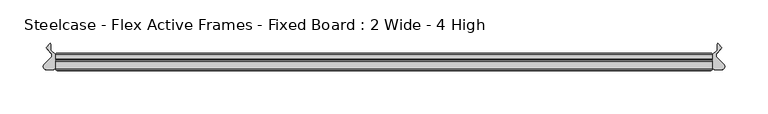
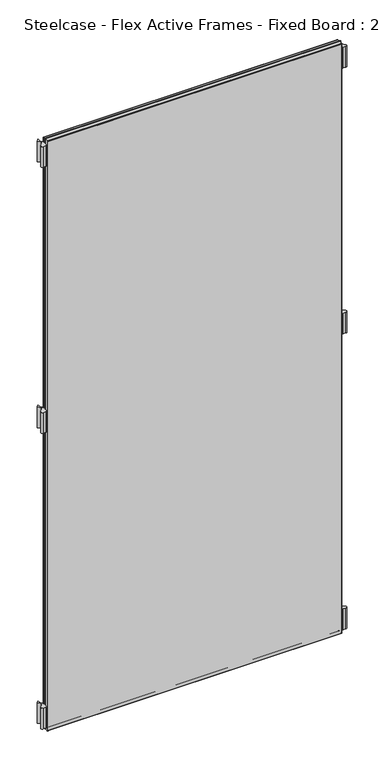
"""IFC4 building model written with IfcOpenShell, lengths in millimetres: furniture geometry, Steelcase - Flex Active Frames - Fixed Board : 2 Wide - 4 High."""

import ifcopenshell
import ifcopenshell.guid

model = None  # the IFC model being written
_history = None  # IfcOwnerHistory: only IFC2X3 demands one
_inside = {}  # id of a spatial element -> (the spatial element, [elements in it])
_under = {}  # id of a project, library or spatial element -> (it, [spatial elements below it])
_declared = {}  # id of a project -> (the project, [libraries it declares])
_typed = {}  # id of a type object -> (the type object, [elements of that type])
_made_of = {}  # id of a material, layer set ... -> (it, [elements and type objects made of it])


def new_model(schema):
    """Start an empty IFC model of exactly this schema.

    Asked for "IFC4X3", IfcOpenShell would pick the latest addendum, in which some entities
    have other attributes; the version numbers below select the first issue.
    IFC2X3 requires an IfcOwnerHistory on every rooted entity: one is made here for all.
    """
    global model, _history
    if schema == "IFC4X3":
        model = ifcopenshell.file(schema_version=(4, 3, 0, 0))
    else:
        model = ifcopenshell.file(schema=schema)
    _inside.clear()
    _under.clear()
    _declared.clear()
    _typed.clear()
    _made_of.clear()
    _history = None
    if model.schema == "IFC2X3":
        org = make("IfcOrganization", Name="unknown")
        user = make(
            "IfcPersonAndOrganization",
            ThePerson=make("IfcPerson", FamilyName="unknown"),
            TheOrganization=org,
        )
        app = make(
            "IfcApplication",
            ApplicationDeveloper=org,
            Version="unknown",
            ApplicationFullName="unknown",
            ApplicationIdentifier="unknown",
        )
        _history = make(
            "IfcOwnerHistory",
            OwningUser=user,
            OwningApplication=app,
            ChangeAction="ADDED",
            CreationDate=0,
        )
    return model


def make(cls, **values):
    """One entity of the class cls with the attributes given. An attribute that is None is left unset."""
    return model.create_entity(
        cls, **{name: value for name, value in values.items() if value is not None}
    )


def rooted(cls, **values):
    """An entity with a GlobalId (a new one), such as an element, a storey or a relation."""
    return make(cls, GlobalId=ifcopenshell.guid.new(), OwnerHistory=_history, **values)


def si_unit(unit_type, name, prefix=None):
    """IfcSIUnit, for example si_unit("LENGTHUNIT", "METRE", prefix="MILLI")."""
    return make("IfcSIUnit", UnitType=unit_type, Prefix=prefix, Name=name)


def assignment(units):
    """IfcUnitAssignment: the units of a project."""
    return None if units is None else make("IfcUnitAssignment", Units=units)


def point(xyz):
    """IfcCartesianPoint."""
    return None if xyz is None else make("IfcCartesianPoint", Coordinates=xyz)


def direction(xyz):
    """IfcDirection."""
    return None if xyz is None else make("IfcDirection", DirectionRatios=xyz)


def frame(location, z_axis=None, x_axis=None):
    """IfcAxis2Placement3D, a coordinate frame: its origin and axes. An axis left out is left unset."""
    return make(
        "IfcAxis2Placement3D",
        Location=point(location),
        Axis=direction(z_axis),
        RefDirection=direction(x_axis),
    )


def frame_2d(location, x_axis=None):
    """IfcAxis2Placement2D, a coordinate frame in the plane: its origin and x axis."""
    return make(
        "IfcAxis2Placement2D", Location=point(location), RefDirection=direction(x_axis)
    )


def origin():
    """The frame at (0, 0, 0) with its axes left unset."""
    return frame((0.0, 0.0, 0.0))


def place(relative_to, where):
    """IfcLocalPlacement: puts the frame where relative to a parent placement (None: the world)."""
    return make(
        "IfcLocalPlacement", PlacementRelTo=relative_to, RelativePlacement=where
    )


def context(
    kind, dimensions, precision=None, world=None, true_north=None, identifier=None
):
    """IfcGeometricRepresentationContext, for example the 3D "Model" context."""
    return make(
        "IfcGeometricRepresentationContext",
        ContextIdentifier=identifier,
        ContextType=kind,
        CoordinateSpaceDimension=dimensions,
        Precision=precision,
        WorldCoordinateSystem=world,
        TrueNorth=true_north,
    )


def project(units=None, contexts=None):
    """IfcProject with its units and contexts."""
    return rooted(
        "IfcProject",
        Name="project",
        RepresentationContexts=contexts,
        UnitsInContext=assignment(units),
    )


def spatial(cls, under=None, at=None, **own):
    """A site, building, storey or space (cls), placed at a placement, below another one or the project."""
    s = rooted(cls, ObjectPlacement=at, **own)
    if under is not None:
        _under.setdefault(under.id(), (under, []))[1].append(s)
    return s


def polyline(points):
    """IfcPolyline through the points."""
    return make("IfcPolyline", Points=[point(p) for p in points])


def circle_curve(where, radius):
    """IfcCircle in the frame where."""
    return make("IfcCircle", Position=where, Radius=radius)


def ellipse_curve(where, semi_axis1, semi_axis2):
    """IfcEllipse in the frame where."""
    return make(
        "IfcEllipse", Position=where, SemiAxis1=semi_axis1, SemiAxis2=semi_axis2
    )


def trimmed(basis, trim1, trim2, sense, master):
    """IfcTrimmedCurve: the piece of a basis curve between two trims."""
    return make(
        "IfcTrimmedCurve",
        BasisCurve=basis,
        Trim1=trim1,
        Trim2=trim2,
        SenseAgreement=sense,
        MasterRepresentation=master,
    )


def segment(curve, same_sense, transition):
    """IfcCompositeCurveSegment."""
    return make(
        "IfcCompositeCurveSegment",
        Transition=transition,
        SameSense=same_sense,
        ParentCurve=curve,
    )


def composite_curve(segments, self_intersect=None):
    """IfcCompositeCurve: segments joined end to end."""
    return make("IfcCompositeCurve", Segments=segments, SelfIntersect=self_intersect)


def outline(outer, holes=None, kind="AREA"):
    """IfcArbitraryClosedProfileDef: a profile drawn as a closed curve; with holes, ...WithVoids."""
    if holes is None:
        return make("IfcArbitraryClosedProfileDef", ProfileType=kind, OuterCurve=outer)
    return make(
        "IfcArbitraryProfileDefWithVoids",
        ProfileType=kind,
        OuterCurve=outer,
        InnerCurves=holes,
    )


def extrude(swept, where, along, depth):
    """IfcExtrudedAreaSolid: the profile swept, set in the frame where, extruded along a direction by depth."""
    return make(
        "IfcExtrudedAreaSolid",
        SweptArea=swept,
        Position=where,
        ExtrudedDirection=direction(along),
        Depth=depth,
    )


def shape(context_of_items, identifier, shape_type, items):
    """IfcShapeRepresentation: the items that make up one representation, for example the "Body"."""
    return make(
        "IfcShapeRepresentation",
        ContextOfItems=context_of_items,
        RepresentationIdentifier=identifier,
        RepresentationType=shape_type,
        Items=items,
    )


def source(mapping_origin, context_of_items, identifier, shape_type, items):
    """IfcRepresentationMap: a shape defined once, which mapped items show again and again."""
    return make(
        "IfcRepresentationMap",
        MappingOrigin=mapping_origin,
        MappedRepresentation=shape(context_of_items, identifier, shape_type, items),
    )


def transform(
    local_origin,
    x_axis=None,
    y_axis=None,
    z_axis=None,
    scale=None,
    scale2=None,
    scale3=None,
    uniform=True,
):
    """IfcCartesianTransformationOperator3D, or its non-uniform kind. x_axis, y_axis, z_axis: its Axis1, 2, 3."""
    if uniform:
        return make(
            "IfcCartesianTransformationOperator3D",
            Axis1=direction(x_axis),
            Axis2=direction(y_axis),
            LocalOrigin=point(local_origin),
            Scale=scale,
            Axis3=direction(z_axis),
        )
    return make(
        "IfcCartesianTransformationOperator3DnonUniform",
        Axis1=direction(x_axis),
        Axis2=direction(y_axis),
        LocalOrigin=point(local_origin),
        Scale=scale,
        Axis3=direction(z_axis),
        Scale2=scale2,
        Scale3=scale3,
    )


def mapped(mapping_source, mapping_target):
    """IfcMappedItem: shows the shape of a source again, moved by a transform."""
    return make(
        "IfcMappedItem", MappingSource=mapping_source, MappingTarget=mapping_target
    )


def made_of(thing, what):
    """Note that an element or type object is made of a material, layer set ...; save() writes the relation."""
    if what is not None:
        _made_of.setdefault(what.id(), (what, []))[1].append(thing)
    return thing


def element(
    cls,
    number,
    at=None,
    inside=None,
    cuts=None,
    type_object=None,
    material=None,
    context=None,
    identifier="Body",
    shape_type=None,
    held_by="IfcProductDefinitionShape",
    body=None,
    shapes=None,
    **own,
):
    """One element of the class cls, such as IfcWall. Its Tag is "e" and its number.

    at: its placement. inside: the storey or other place that contains it. cuts: it is an
    opening in that element (IfcRelVoidsElement). A single representation is given by context,
    identifier, shape_type and body (its items); several are given by shapes. held_by: the class
    of the entity that holds the representations. save() writes the other relations.
    """
    e = rooted(cls, Tag="e%d" % number, ObjectPlacement=at, **own)
    if body is not None:
        shapes = [shape(context, identifier, shape_type, body)]
    if shapes is not None:
        e.Representation = make(held_by, Representations=shapes)
    if inside is not None:
        _inside.setdefault(inside.id(), (inside, []))[1].append(e)
    if cuts is not None:
        rooted(
            "IfcRelVoidsElement", RelatingBuildingElement=cuts, RelatedOpeningElement=e
        )
    if type_object is not None:
        _typed.setdefault(type_object.id(), (type_object, []))[1].append(e)
    return made_of(e, material)


def aggregate(whole, parts):
    """IfcRelAggregates: a whole, such as a stair, and the parts it consists of."""
    return rooted("IfcRelAggregates", RelatingObject=whole, RelatedObjects=parts)


def save(model, path):
    """Write the relations noted so far, then the file.

    IfcRelAggregates (storeys below a building ...), IfcRelContainedInSpatialStructure (elements
    in a storey), IfcRelDefinesByType, IfcRelAssociatesMaterial and IfcRelDeclares: one each for
    every whole, place, type object, material and project.
    """
    for whole, parts in _under.values():
        aggregate(whole, parts)
    for where, things in _inside.values():
        rooted(
            "IfcRelContainedInSpatialStructure",
            RelatedElements=things,
            RelatingStructure=where,
        )
    for kind, things in _typed.values():
        rooted("IfcRelDefinesByType", RelatedObjects=things, RelatingType=kind)
    for what, things in _made_of.values():
        rooted("IfcRelAssociatesMaterial", RelatedObjects=things, RelatingMaterial=what)
    for by, libraries in _declared.values():
        rooted("IfcRelDeclares", RelatingContext=by, RelatedDefinitions=libraries)
    model.write(path)


def plane_surface(at):
    """IfcPlane: the flat surface through the origin of the frame at, square to its z axis."""
    return make("IfcPlane", Position=at)


def cylinder_surface(at, radius):
    """IfcCylindricalSurface: all points at the distance radius from the z axis of the frame at."""
    return make("IfcCylindricalSurface", Position=at, Radius=radius)


def advanced_brep(points, edges, surfaces, faces):
    """IfcAdvancedBrep: a solid bounded by faces that lie on surfaces and meet in shared edges.

    An edge is (start, end): straight between two places in points (the first is 0);
    or (start, end, curve); or (start, end, curve, False) where it runs against its curve.
    A face is (place in surfaces, loops), or (place, loops, False) where it looks against
    its surface's normal. A loop lists edges by number (the first is 1), with a minus sign
    where the edge is run from its end to its start. The first loop is the outer one.
    """
    corners = [point(p) for p in points]
    vertices = [make("IfcVertexPoint", VertexGeometry=c) for c in corners]
    made = []
    for start, end, *more in edges:
        made.append(
            make(
                "IfcEdgeCurve",
                EdgeStart=vertices[start],
                EdgeEnd=vertices[end],
                EdgeGeometry=more[0] if more else make("IfcPolyline", Points=[corners[start], corners[end]]),
                SameSense=more[1] if len(more) > 1 else True,
            )
        )
    hull = []
    for where, loops, *sense in faces:
        bounds = []
        for j, loop in enumerate(loops):
            ring = [make("IfcOrientedEdge", EdgeElement=made[abs(k) - 1], Orientation=k > 0) for k in loop]
            bounds.append(
                make(
                    "IfcFaceOuterBound" if j == 0 else "IfcFaceBound",
                    Bound=make("IfcEdgeLoop", EdgeList=ring),
                    Orientation=True,
                )
            )
        hull.append(make("IfcAdvancedFace", Bounds=bounds, FaceSurface=surfaces[where], SameSense=sense[0] if sense else True))
    return make("IfcAdvancedBrep", Outer=make("IfcClosedShell", CfsFaces=hull))


def steelcase_flex_active_frames_fixed_board_2_wide_4_high_7a884def(model_context):
    return source(origin(), model_context, "Body", "SolidModel", [
        extrude(outline(composite_curve([segment(trimmed(circle_curve(frame_2d((766.2196763, -15.2513959)), 3.81), [point((768.9118703, -12.5554375))], [point((766.2196713, -19.0613959))], False, "CARTESIAN"), True, "CONTINUOUS"), segment(polyline([(766.2196713, -19.0613959), (759.713995, -19.0613873)]), True, "CONTINUOUS"), segment(trimmed(circle_curve(frame_2d((759.714, -15.2513873)), 3.81), [point((759.713995, -19.0613873))], [point((755.904, -15.2513873))], False, "CARTESIAN"), True, "CONTINUOUS"), segment(polyline([(755.904, -15.2513873), (755.904, -2.0686095), (761.4063592, 3.4250486), (761.4063592, 10.299411), (762.1123238, 11.2027231), (767.0660919, 6.2470172), (761.3290632, 0.3149559)]), True, "CONTINUOUS"), segment(trimmed(circle_curve(frame_2d((764.0677853, -2.3337233)), 3.81), [point((761.3290632, 0.3149559))], [point((761.3755914, -5.0296817))], True, "CARTESIAN"), True, "CONTINUOUS"), segment(polyline([(761.3755914, -5.0296817), (768.9118703, -12.5554375)]), True, "CONTINUOUS")], self_intersect=False)), frame((0.0, 0.0, 811.4997887), z_axis=(0.0, 0.0, 1.0), x_axis=(1.0, 0.0, 0.0)), (0.0, 0.0, 1.0), 55.9983261),
        extrude(outline(composite_curve([segment(polyline([(-13.0078703, -12.5554375), (-5.4715914, -5.0296817)]), True, "CONTINUOUS"), segment(trimmed(circle_curve(frame_2d((-8.1637853, -2.3337233)), 3.81), [point((-5.4715914, -5.0296817))], [point((-5.4250632, 0.3149559))], True, "CARTESIAN"), True, "CONTINUOUS"), segment(polyline([(-5.4250632, 0.3149559), (-11.1620919, 6.2470172), (-6.2083238, 11.2027231), (-5.5023592, 10.299411), (-5.5023592, 3.4250486), (0.0, -2.0686095), (0.0, -15.2513873)]), True, "CONTINUOUS"), segment(trimmed(circle_curve(frame_2d((-3.81, -15.2513873)), 3.81), [point((0.0, -15.2513873))], [point((-3.809995, -19.0613873))], False, "CARTESIAN"), True, "CONTINUOUS"), segment(polyline([(-3.809995, -19.0613873), (-10.3156713, -19.0613959)]), True, "CONTINUOUS"), segment(trimmed(circle_curve(frame_2d((-10.3156763, -15.2513959)), 3.81), [point((-10.3156713, -19.0613959))], [point((-13.0078703, -12.5554375))], False, "CARTESIAN"), True, "CONTINUOUS")], self_intersect=False)), frame((0.0, 0.0, 811.4997887), z_axis=(0.0, 0.0, 1.0), x_axis=(1.0, 0.0, 0.0)), (0.0, 0.0, 1.0), 55.9983261),
        extrude(outline(composite_curve([segment(trimmed(circle_curve(frame_2d((766.2196763, -15.2513959)), 3.81), [point((768.9118703, -12.5554375))], [point((766.2196713, -19.0613959))], False, "CARTESIAN"), True, "CONTINUOUS"), segment(polyline([(766.2196713, -19.0613959), (759.713995, -19.0613873)]), True, "CONTINUOUS"), segment(trimmed(circle_curve(frame_2d((759.714, -15.2513873)), 3.81), [point((759.713995, -19.0613873))], [point((755.904, -15.2513873))], False, "CARTESIAN"), True, "CONTINUOUS"), segment(polyline([(755.904, -15.2513873), (755.904, -2.0686095), (761.4063592, 3.4250486), (761.4063592, 10.299411), (762.1123238, 11.2027231), (767.0660919, 6.2470172), (761.3290632, 0.3149559)]), True, "CONTINUOUS"), segment(trimmed(circle_curve(frame_2d((764.0677853, -2.3337233)), 3.81), [point((761.3290632, 0.3149559))], [point((761.3755914, -5.0296817))], True, "CARTESIAN"), True, "CONTINUOUS"), segment(polyline([(761.3755914, -5.0296817), (768.9118703, -12.5554375)]), True, "CONTINUOUS")], self_intersect=False)), frame((0.0, 0.0, 9.5000015), z_axis=(0.0, 0.0, 1.0), x_axis=(1.0, 0.0, 0.0)), (0.0, 0.0, 1.0), 55.9983261),
        extrude(outline(composite_curve([segment(trimmed(circle_curve(frame_2d((766.2196763, -15.2513959)), 3.81), [point((768.9118703, -12.5554375))], [point((766.2196713, -19.0613959))], False, "CARTESIAN"), True, "CONTINUOUS"), segment(polyline([(766.2196713, -19.0613959), (759.713995, -19.0613873)]), True, "CONTINUOUS"), segment(trimmed(circle_curve(frame_2d((759.714, -15.2513873)), 3.81), [point((759.713995, -19.0613873))], [point((755.904, -15.2513873))], False, "CARTESIAN"), True, "CONTINUOUS"), segment(polyline([(755.904, -15.2513873), (755.904, -2.0686095), (761.4063592, 3.4250486), (761.4063592, 10.299411), (762.1123238, 11.2027231), (767.0660919, 6.2470172), (761.3290632, 0.3149559)]), True, "CONTINUOUS"), segment(trimmed(circle_curve(frame_2d((764.0677853, -2.3337233)), 3.81), [point((761.3290632, 0.3149559))], [point((761.3755914, -5.0296817))], True, "CARTESIAN"), True, "CONTINUOUS"), segment(polyline([(761.3755914, -5.0296817), (768.9118703, -12.5554375)]), True, "CONTINUOUS")], self_intersect=False)), frame((0.0, 0.0, 1532.4476006), z_axis=(0.0, 0.0, 1.0), x_axis=(1.0, 0.0, 0.0)), (0.0, 0.0, 1.0), 55.9983261),
        extrude(outline(composite_curve([segment(polyline([(-13.0078703, -12.5554375), (-5.4715914, -5.0296817)]), True, "CONTINUOUS"), segment(trimmed(circle_curve(frame_2d((-8.1637853, -2.3337233)), 3.81), [point((-5.4715914, -5.0296817))], [point((-5.4250632, 0.3149559))], True, "CARTESIAN"), True, "CONTINUOUS"), segment(polyline([(-5.4250632, 0.3149559), (-11.1620919, 6.2470172), (-6.2083238, 11.2027231), (-5.5023592, 10.299411), (-5.5023592, 3.4250486), (0.0, -2.0686095), (0.0, -15.2513873)]), True, "CONTINUOUS"), segment(trimmed(circle_curve(frame_2d((-3.81, -15.2513873)), 3.81), [point((0.0, -15.2513873))], [point((-3.809995, -19.0613873))], False, "CARTESIAN"), True, "CONTINUOUS"), segment(polyline([(-3.809995, -19.0613873), (-10.3156713, -19.0613959)]), True, "CONTINUOUS"), segment(trimmed(circle_curve(frame_2d((-10.3156763, -15.2513959)), 3.81), [point((-10.3156713, -19.0613959))], [point((-13.0078703, -12.5554375))], False, "CARTESIAN"), True, "CONTINUOUS")], self_intersect=False)), frame((0.0, 0.0, 9.5000015), z_axis=(0.0, 0.0, 1.0), x_axis=(1.0, 0.0, 0.0)), (0.0, 0.0, 1.0), 55.9983261),
        extrude(outline(composite_curve([segment(polyline([(-13.0078703, -12.5554375), (-5.4715914, -5.0296817)]), True, "CONTINUOUS"), segment(trimmed(circle_curve(frame_2d((-8.1637853, -2.3337233)), 3.81), [point((-5.4715914, -5.0296817))], [point((-5.4250632, 0.3149559))], True, "CARTESIAN"), True, "CONTINUOUS"), segment(polyline([(-5.4250632, 0.3149559), (-11.1620919, 6.2470172), (-6.2083238, 11.2027231), (-5.5023592, 10.299411), (-5.5023592, 3.4250486), (0.0, -2.0686095), (0.0, -15.2513873)]), True, "CONTINUOUS"), segment(trimmed(circle_curve(frame_2d((-3.81, -15.2513873)), 3.81), [point((0.0, -15.2513873))], [point((-3.809995, -19.0613873))], False, "CARTESIAN"), True, "CONTINUOUS"), segment(polyline([(-3.809995, -19.0613873), (-10.3156713, -19.0613959)]), True, "CONTINUOUS"), segment(trimmed(circle_curve(frame_2d((-10.3156763, -15.2513959)), 3.81), [point((-10.3156713, -19.0613959))], [point((-13.0078703, -12.5554375))], False, "CARTESIAN"), True, "CONTINUOUS")], self_intersect=False)), frame((0.0, 0.0, 1532.4476006), z_axis=(0.0, 0.0, 1.0), x_axis=(1.0, 0.0, 0.0)), (0.0, 0.0, 1.0), 55.9983261),
        extrude(outline(polyline([(754.4039947, -19.7016999), (1.5000053, -19.7016999), (1.5000053, -8.0000171), (754.4039947, -8.0000171), (754.4039947, -19.7016999)])), frame((0.0, 0.0, 1.5000053), z_axis=(0.0, 0.0, 1.0), x_axis=(1.0, 0.0, 0.0)), (0.0, 0.0, 1.0), 1596.9459893),
        advanced_brep(
        [(0.0, -9.5000224, 1599.946), (1.5000053, -8.0000171, 1598.4459947), (1.5000053, -8.0000171, 1.5000053), (0.0, -9.5000224, 0.0), (0.0, -18.2016946, 1599.946), (0.0, -18.2016946, 0.0), (1.5000053, -19.7016999, 1598.4459947), (1.5000053, -19.7016999, 1.5000053), (754.4039947, -8.0000171, 1.5000053), (755.904, -9.5000224, 0.0), (755.904, -18.2016946, 0.0), (754.4039947, -19.7016999, 1.5000053), (754.4039947, -8.0000171, 1598.4459947), (755.904, -9.5000224, 1599.946), (755.904, -18.2016946, 1599.946), (754.4039947, -19.7016999, 1598.4459947)],
        [
            (0, 1, ellipse_curve(frame((1.5000053, -9.5000224, 1598.4459947), z_axis=(-0.7071067811865475, 0.0, -0.7071067811865475), x_axis=(-0.7071067811865474, 0.0, 0.7071067811865476)), 2.1213279, 1.5000053)),
            (1, 2),
            (2, 3, ellipse_curve(frame((1.5000053, -9.5000224, 1.5000053), z_axis=(-0.7071067811865475, 0.0, 0.7071067811865475), x_axis=(0.7071067811865474, 0.0, 0.7071067811865476)), 2.1213279, 1.5000053)),
            (3, 0),
            (4, 0),
            (3, 5),
            (5, 4),
            (1, 6),
            (6, 7),
            (7, 2),
            (2, 8),
            (8, 9, ellipse_curve(frame((754.4039947, -9.5000224, 1.5000053), z_axis=(-0.7071067811865475, 0.0, -0.7071067811865475), x_axis=(-0.7071067811865476, 0.0, 0.7071067811865474)), 2.1213279, 1.5000053)),
            (9, 3),
            (9, 10),
            (10, 5),
            (7, 11),
            (11, 8),
            (8, 12),
            (12, 13, ellipse_curve(frame((754.4039947, -9.5000224, 1598.4459947), z_axis=(0.7071067811865475, 0.0, -0.7071067811865475), x_axis=(-0.7071067811865474, 0.0, -0.7071067811865476)), 2.1213279, 1.5000053)),
            (13, 9),
            (13, 14),
            (14, 10),
            (11, 15),
            (15, 12),
            (12, 1),
            (0, 13),
            (4, 14),
            (15, 6),
            (6, 4, ellipse_curve(frame((1.5000053, -18.2016946, 1598.4459947), z_axis=(-0.7071067811865475, 0.0, -0.7071067811865475), x_axis=(-0.7071067811865474, 0.0, 0.7071067811865476)), 2.1213279, 1.5000053)),
            (5, 7, ellipse_curve(frame((1.5000053, -18.2016946, 1.5000053), z_axis=(-0.7071067811865475, 0.0, 0.7071067811865475), x_axis=(0.7071067811865474, 0.0, 0.7071067811865476)), 2.1213279, 1.5000053)),
            (10, 11, ellipse_curve(frame((754.4039947, -18.2016946, 1.5000053), z_axis=(-0.7071067811865475, 0.0, -0.7071067811865475), x_axis=(-0.7071067811865476, 0.0, 0.7071067811865474)), 2.1213279, 1.5000053)),
            (14, 15, ellipse_curve(frame((754.4039947, -18.2016946, 1598.4459947), z_axis=(0.7071067811865475, 0.0, -0.7071067811865475), x_axis=(-0.7071067811865474, 0.0, -0.7071067811865476)), 2.1213279, 1.5000053)),
        ],
        [
            cylinder_surface(frame((1.5000053, -9.5000224, 1599.946), z_axis=(0.0, 0.0, 1.0), x_axis=(1.0, 0.0, 0.0)), 1.5000053),
            plane_surface(frame((0.0, -9.5000224, 1599.946), z_axis=(-1.0, 0.0, 0.0), x_axis=(0.0, 0.0, -1.0))),
            plane_surface(frame((1.5000053, -19.7016999, 1598.4459947), z_axis=(1.0, 0.0, 0.0), x_axis=(0.0, 0.0, -1.0))),
            cylinder_surface(frame((0.0, -9.5000224, 1.5000053), z_axis=(-1.0, 0.0, 0.0), x_axis=(0.0, 0.0, 1.0)), 1.5000053),
            plane_surface(frame((0.0, -9.5000224, 0.0), z_axis=(0.0, 0.0, -1.0), x_axis=(1.0, 0.0, 0.0))),
            plane_surface(frame((1.5000053, -19.7016999, 1.5000053), z_axis=(0.0, 0.0, 1.0), x_axis=(1.0, 0.0, 0.0))),
            cylinder_surface(frame((754.4039947, -9.5000224, 0.0), z_axis=(0.0, 0.0, -1.0), x_axis=(-1.0, 0.0, 0.0)), 1.5000053),
            plane_surface(frame((755.904, -9.5000224, 0.0), z_axis=(1.0, 0.0, 0.0), x_axis=(0.0, 0.0, 1.0))),
            plane_surface(frame((754.4039947, -19.7016999, 1.5000053), z_axis=(-1.0, 0.0, 0.0), x_axis=(0.0, 0.0, 1.0))),
            cylinder_surface(frame((755.904, -9.5000224, 1598.4459947), z_axis=(1.0, 0.0, 0.0), x_axis=(0.0, 0.0, -1.0)), 1.5000053),
            plane_surface(frame((755.904, -9.5000224, 1599.946), z_axis=(0.0, 0.0, 1.0), x_axis=(-1.0, 0.0, 0.0))),
            plane_surface(frame((754.4039947, -19.7016999, 1598.4459947), z_axis=(0.0, 0.0, -1.0), x_axis=(-1.0, 0.0, 0.0))),
            cylinder_surface(frame((1.5000053, -18.2016946, 1599.946), z_axis=(0.0, 0.0, 1.0), x_axis=(1.0, 0.0, 0.0)), 1.5000053),
            cylinder_surface(frame((0.0, -18.2016946, 1.5000053), z_axis=(-1.0, 0.0, 0.0), x_axis=(0.0, 0.0, 1.0)), 1.5000053),
            cylinder_surface(frame((754.4039947, -18.2016946, 0.0), z_axis=(0.0, 0.0, -1.0), x_axis=(-1.0, 0.0, 0.0)), 1.5000053),
            cylinder_surface(frame((755.904, -18.2016946, 1598.4459947), z_axis=(1.0, 0.0, 0.0), x_axis=(0.0, 0.0, -1.0)), 1.5000053),
        ],
        [
            (0, [[1, 2, 3, 4]]),
            (1, [[5, -4, 6, 7]]),
            (2, [[8, 9, 10, -2]]),
            (3, [[-3, 11, 12, 13]]),
            (4, [[-6, -13, 14, 15]]),
            (5, [[-10, 16, 17, -11]]),
            (6, [[-12, 18, 19, 20]]),
            (7, [[-14, -20, 21, 22]]),
            (8, [[-17, 23, 24, -18]]),
            (9, [[-19, 25, -1, 26]]),
            (10, [[-21, -26, -5, 27]]),
            (11, [[-24, 28, -8, -25]]),
            (12, [[29, -7, 30, -9]]),
            (13, [[-30, -15, 31, -16]]),
            (14, [[-31, -22, 32, -23]]),
            (15, [[-32, -27, -29, -28]]),
        ],
    ),
        extrude(outline(polyline([(754.4039947, -8.0000171), (1.5000053, -8.0000171), (1.5000053, 0.0), (754.4039947, 0.0), (754.4039947, -8.0000171)])), frame((0.0, 0.0, 1.5000053), z_axis=(0.0, 0.0, 1.0), x_axis=(1.0, 0.0, 0.0)), (0.0, 0.0, 1.0), 1596.9459893),
        advanced_brep(
        [(0.0, -1.5000053, 1599.946), (1.5000053, 0.0, 1598.4459947), (1.5000053, 0.0, 1.5000053), (0.0, -1.5000053, 0.0), (0.0, -6.5000117, 1599.946), (0.0, -6.5000117, 0.0), (1.5000053, -8.0000171, 1598.4459947), (1.5000053, -8.0000171, 1.5000053), (754.4039947, 0.0, 1.5000053), (755.904, -1.5000053, 0.0), (755.904, -6.5000117, 0.0), (754.4039947, -8.0000171, 1.5000053), (754.4039947, 0.0, 1598.4459947), (755.904, -1.5000053, 1599.946), (755.904, -6.5000117, 1599.946), (754.4039947, -8.0000171, 1598.4459947)],
        [
            (0, 1, ellipse_curve(frame((1.5000053, -1.5000053, 1598.4459947), z_axis=(-0.7071067811865475, 0.0, -0.7071067811865475), x_axis=(-0.7071067811865474, 0.0, 0.7071067811865476)), 2.1213279, 1.5000053)),
            (1, 2),
            (2, 3, ellipse_curve(frame((1.5000053, -1.5000053, 1.5000053), z_axis=(-0.7071067811865475, 0.0, 0.7071067811865475), x_axis=(0.7071067811865474, 0.0, 0.7071067811865476)), 2.1213279, 1.5000053)),
            (3, 0),
            (4, 0),
            (3, 5),
            (5, 4),
            (6, 4, ellipse_curve(frame((1.5000053, -6.5000117, 1598.4459947), z_axis=(-0.7071067811865475, 0.0, -0.7071067811865475), x_axis=(-0.7071067811865474, 0.0, 0.7071067811865476)), 2.1213279, 1.5000053)),
            (5, 7, ellipse_curve(frame((1.5000053, -6.5000117, 1.5000053), z_axis=(-0.7071067811865475, 0.0, 0.7071067811865475), x_axis=(0.7071067811865474, 0.0, 0.7071067811865476)), 2.1213279, 1.5000053)),
            (7, 6),
            (1, 6),
            (7, 2),
            (2, 8),
            (8, 9, ellipse_curve(frame((754.4039947, -1.5000053, 1.5000053), z_axis=(-0.7071067811865475, 0.0, -0.7071067811865475), x_axis=(-0.7071067811865476, 0.0, 0.7071067811865474)), 2.1213279, 1.5000053)),
            (9, 3),
            (9, 10),
            (10, 5),
            (10, 11, ellipse_curve(frame((754.4039947, -6.5000117, 1.5000053), z_axis=(-0.7071067811865475, 0.0, -0.7071067811865475), x_axis=(-0.7071067811865476, 0.0, 0.7071067811865474)), 2.1213279, 1.5000053)),
            (11, 7),
            (11, 8),
            (8, 12),
            (12, 13, ellipse_curve(frame((754.4039947, -1.5000053, 1598.4459947), z_axis=(0.7071067811865475, 0.0, -0.7071067811865475), x_axis=(-0.7071067811865474, 0.0, -0.7071067811865476)), 2.1213279, 1.5000053)),
            (13, 9),
            (13, 14),
            (14, 10),
            (14, 15, ellipse_curve(frame((754.4039947, -6.5000117, 1598.4459947), z_axis=(0.7071067811865475, 0.0, -0.7071067811865475), x_axis=(-0.7071067811865474, 0.0, -0.7071067811865476)), 2.1213279, 1.5000053)),
            (15, 11),
            (15, 12),
            (12, 1),
            (0, 13),
            (4, 14),
            (6, 15),
        ],
        [
            cylinder_surface(frame((1.5000053, -1.5000053, 1599.946), z_axis=(0.0, 0.0, 1.0), x_axis=(1.0, 0.0, 0.0)), 1.5000053),
            plane_surface(frame((0.0, -1.5000053, 1599.946), z_axis=(-1.0, 0.0, 0.0), x_axis=(0.0, 0.0, -1.0))),
            cylinder_surface(frame((1.5000053, -6.5000117, 1599.946), z_axis=(0.0, 0.0, 1.0), x_axis=(1.0, 0.0, 0.0)), 1.5000053),
            plane_surface(frame((1.5000053, -8.0000171, 1598.4459947), z_axis=(1.0, 0.0, 0.0), x_axis=(0.0, 0.0, -1.0))),
            cylinder_surface(frame((0.0, -1.5000053, 1.5000053), z_axis=(-1.0, 0.0, 0.0), x_axis=(0.0, 0.0, 1.0)), 1.5000053),
            plane_surface(frame((0.0, -1.5000053, 0.0), z_axis=(0.0, 0.0, -1.0), x_axis=(1.0, 0.0, 0.0))),
            cylinder_surface(frame((0.0, -6.5000117, 1.5000053), z_axis=(-1.0, 0.0, 0.0), x_axis=(0.0, 0.0, 1.0)), 1.5000053),
            plane_surface(frame((1.5000053, -8.0000171, 1.5000053), z_axis=(0.0, 0.0, 1.0), x_axis=(1.0, 0.0, 0.0))),
            cylinder_surface(frame((754.4039947, -1.5000053, 0.0), z_axis=(0.0, 0.0, -1.0), x_axis=(-1.0, 0.0, 0.0)), 1.5000053),
            plane_surface(frame((755.904, -1.5000053, 0.0), z_axis=(1.0, 0.0, 0.0), x_axis=(0.0, 0.0, 1.0))),
            cylinder_surface(frame((754.4039947, -6.5000117, 0.0), z_axis=(0.0, 0.0, -1.0), x_axis=(-1.0, 0.0, 0.0)), 1.5000053),
            plane_surface(frame((754.4039947, -8.0000171, 1.5000053), z_axis=(-1.0, 0.0, 0.0), x_axis=(0.0, 0.0, 1.0))),
            cylinder_surface(frame((755.904, -1.5000053, 1598.4459947), z_axis=(1.0, 0.0, 0.0), x_axis=(0.0, 0.0, -1.0)), 1.5000053),
            plane_surface(frame((755.904, -1.5000053, 1599.946), z_axis=(0.0, 0.0, 1.0), x_axis=(-1.0, 0.0, 0.0))),
            cylinder_surface(frame((755.904, -6.5000117, 1598.4459947), z_axis=(1.0, 0.0, 0.0), x_axis=(0.0, 0.0, -1.0)), 1.5000053),
            plane_surface(frame((754.4039947, -8.0000171, 1598.4459947), z_axis=(0.0, 0.0, -1.0), x_axis=(-1.0, 0.0, 0.0))),
        ],
        [
            (0, [[1, 2, 3, 4]]),
            (1, [[5, -4, 6, 7]]),
            (2, [[8, -7, 9, 10]]),
            (3, [[11, -10, 12, -2]]),
            (4, [[-3, 13, 14, 15]]),
            (5, [[-6, -15, 16, 17]]),
            (6, [[-9, -17, 18, 19]]),
            (7, [[-12, -19, 20, -13]]),
            (8, [[-14, 21, 22, 23]]),
            (9, [[-16, -23, 24, 25]]),
            (10, [[-18, -25, 26, 27]]),
            (11, [[-20, -27, 28, -21]]),
            (12, [[-22, 29, -1, 30]]),
            (13, [[-24, -30, -5, 31]]),
            (14, [[-26, -31, -8, 32]]),
            (15, [[-28, -32, -11, -29]]),
        ],
    ),
    ])


if __name__ == "__main__":
    model = new_model("IFC4")
    model_context = context("Model", 3, world=origin())
    ifc_project = project(units=[si_unit("LENGTHUNIT", "METRE", prefix="MILLI")], contexts=[model_context])
    site = spatial("IfcSite", under=ifc_project)
    building = spatial("IfcBuilding", under=site)
    placement = place(None, origin())
    steelcase_flex_active_frames_fixed_board_2_wide_4_high_shape = steelcase_flex_active_frames_fixed_board_2_wide_4_high_7a884def(model_context)
    element("IfcFurniture", 1, ObjectType="Steelcase - Flex Active Frames - Fixed Board : 2 Wide - 4 High", at=placement, inside=building, context=model_context, shape_type="MappedRepresentation", body=[
        mapped(steelcase_flex_active_frames_fixed_board_2_wide_4_high_shape, transform((0.0, 0.0, 0.0), x_axis=(1.0, 0.0, 0.0), y_axis=(0.0, 1.0, 0.0), z_axis=(0.0, 0.0, 1.0))),
    ])
    save(model, "model.ifc")
